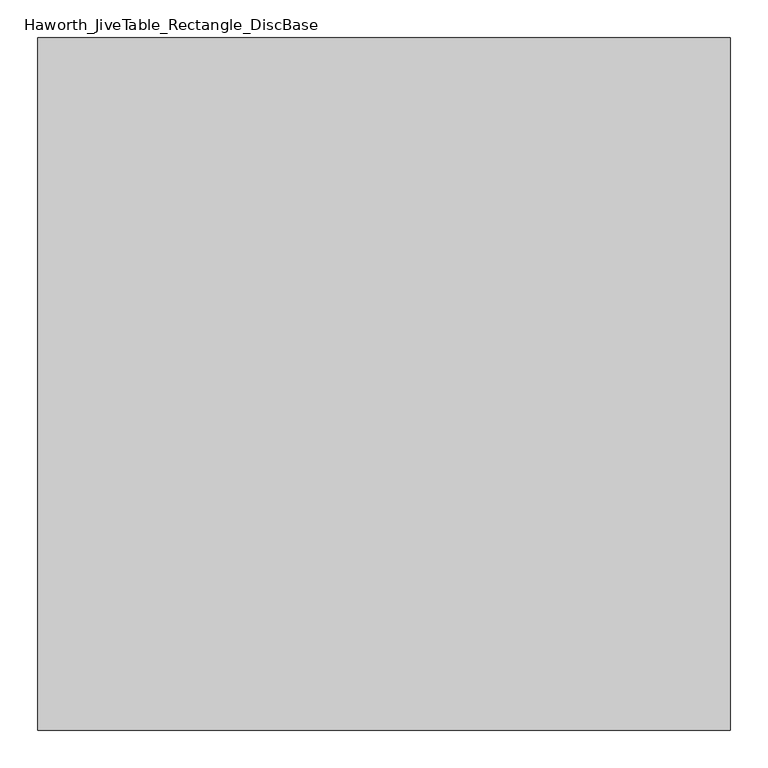
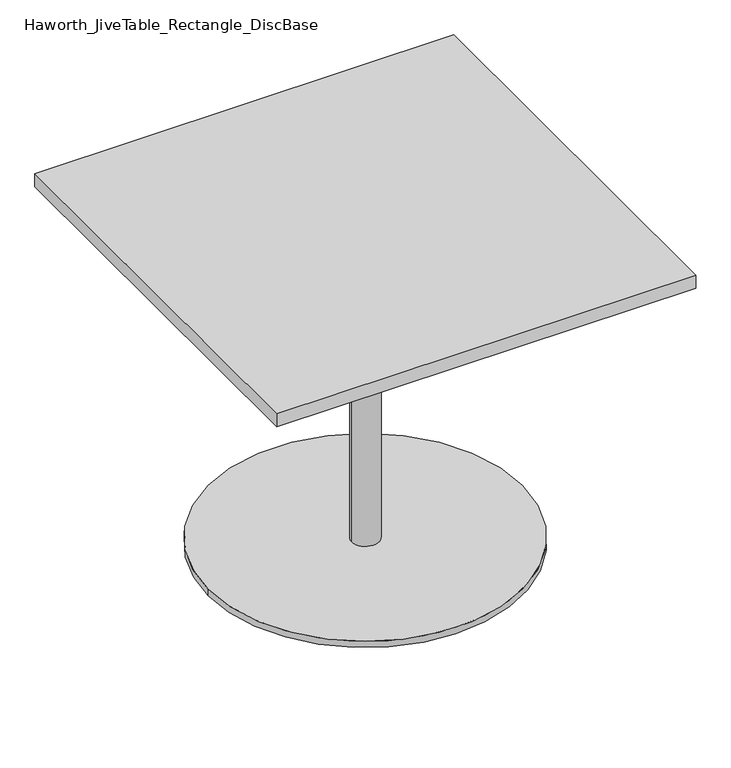
"""IFC4 building model written with IfcOpenShell, lengths in millimetres: furniture geometry, Haworth_JiveTable_Rectangle_DiscBase."""

from ifc_helpers import new_model, si_unit, point, frame, origin, origin_with_axes, origin_2d, place, context, project, spatial, polyline, circle_curve, trimmed, segment, composite_curve, outline, extrude, source, transform, mapped, element, save


def haworth_jivetable_rectangle_discbase_cd6b04f8(model_context):
    return source(origin(), model_context, "Body", "SweptSolid", [
        extrude(outline(composite_curve([segment(trimmed(circle_curve(origin_2d(), 29.9972969), [point((-29.9972969, 0.0))], [point((29.9972969, 0.0))], False, "CARTESIAN"), True, "CONTINUOUS"), segment(trimmed(circle_curve(origin_2d(), 29.9972969), [point((29.9972969, 0.0))], [point((-29.9972969, 0.0))], False, "CARTESIAN"), True, "CONTINUOUS")], self_intersect=False)), frame((0.0, 0.0, 14.3509999), z_axis=(0.0, 0.0, 1.0), x_axis=(1.0, 0.0, 0.0)), (0.0, 0.0, 1.0), 688.6574942),
        extrude(outline(composite_curve([segment(trimmed(circle_curve(origin_2d(), 342.9), [point((-342.9, 0.0))], [point((342.9, 0.0))], False, "CARTESIAN"), True, "CONTINUOUS"), segment(trimmed(circle_curve(origin_2d(), 342.9), [point((342.9, 0.0))], [point((-342.9, 0.0))], False, "CARTESIAN"), True, "CONTINUOUS")], self_intersect=False)), origin_with_axes(), (0.0, 0.0, 1.0), 14.3509999),
        extrude(outline(polyline([(0.0, 215.5237554), (215.5242103, 0.0), (0.0, -215.5237554), (-215.5240587, 0.0), (0.0, 215.5237554)])), frame((0.0, 0.0, 703.0084942), z_axis=(0.0, 0.0, 1.0), x_axis=(1.0, 0.0, 0.0)), (0.0, 0.0, 1.0), 3.4290058),
        extrude(outline(polyline([(457.2, 457.2), (457.2, -457.2), (-457.2, -457.2), (-457.2, 457.2), (457.2, 457.2)])), frame((0.0, 0.0, 706.4375), z_axis=(0.0, 0.0, 1.0), x_axis=(1.0, 0.0, 0.0)), (0.0, 0.0, 1.0), 30.1625),
    ])


if __name__ == "__main__":
    model = new_model("IFC4")
    model_context = context("Model", 3, world=origin())
    ifc_project = project(units=[si_unit("LENGTHUNIT", "METRE", prefix="MILLI")], contexts=[model_context])
    site = spatial("IfcSite", under=ifc_project)
    building = spatial("IfcBuilding", under=site)
    placement = place(None, origin())
    haworth_jivetable_rectangle_discbase_shape = haworth_jivetable_rectangle_discbase_cd6b04f8(model_context)
    element("IfcFurniture", 1, ObjectType="Haworth_JiveTable_Rectangle_DiscBase", at=placement, inside=building, context=model_context, shape_type="MappedRepresentation", body=[
        mapped(haworth_jivetable_rectangle_discbase_shape, transform((0.0, 0.0, 0.0), x_axis=(1.0, 0.0, 0.0), y_axis=(0.0, 1.0, 0.0), z_axis=(0.0, 0.0, 1.0))),
    ])
    save(model, "model.ifc")
